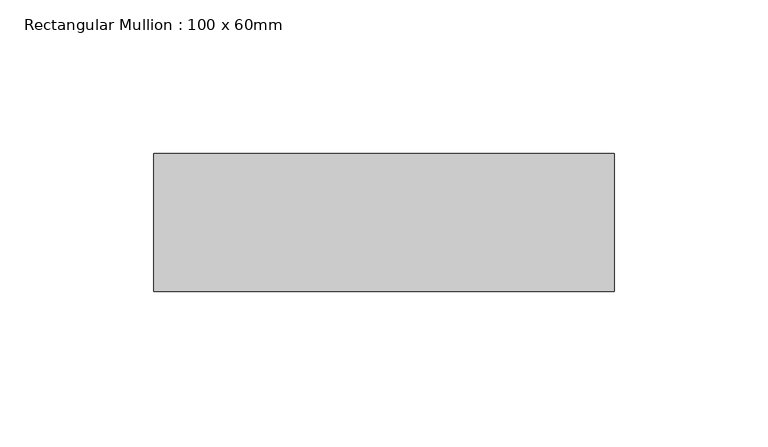
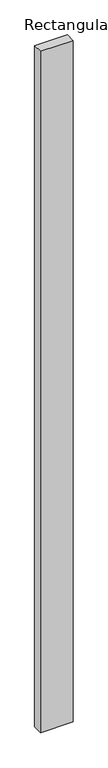
"""IFC4 building model written with IfcOpenShell, lengths in millimetres: member geometry, Rectangular Mullion : 100 x 60mm."""

from ifc_helpers import new_model, si_unit, frame, origin, place, context, project, spatial, polyline, outline, extrude, source, transform, mapped, element, save


def rectangular_mullion_100_x_60mm_0299cf2f(model_context):
    return source(origin(), model_context, "Body", "SweptSolid", [
        extrude(outline(polyline([(0.0, 30.0), (0.0, -15.0), (-150.0, -15.0), (-150.0, 30.0), (0.0, 30.0)])), frame((0.0, 0.0, -3312.8837773), z_axis=(0.0, 0.0, 1.0), x_axis=(1.0, 0.0, 0.0)), (0.0, 0.0, 1.0), 3312.8837773),
    ])


if __name__ == "__main__":
    model = new_model("IFC4")
    model_context = context("Model", 3, world=origin())
    ifc_project = project(units=[si_unit("LENGTHUNIT", "METRE", prefix="MILLI")], contexts=[model_context])
    site = spatial("IfcSite", under=ifc_project)
    building = spatial("IfcBuilding", under=site)
    placement = place(None, origin())
    rectangular_mullion_100_x_60mm_shape = rectangular_mullion_100_x_60mm_0299cf2f(model_context)
    element("IfcMember", 1, ObjectType="Rectangular Mullion : 100 x 60mm", at=placement, inside=building, context=model_context, shape_type="MappedRepresentation", body=[
        mapped(rectangular_mullion_100_x_60mm_shape, transform((0.0, 0.0, 0.0), x_axis=(1.0, 0.0, 0.0), y_axis=(0.0, 1.0, 0.0), z_axis=(0.0, 0.0, 1.0))),
    ])
    save(model, "model.ifc")
